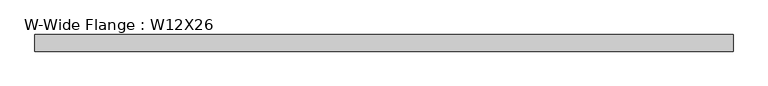
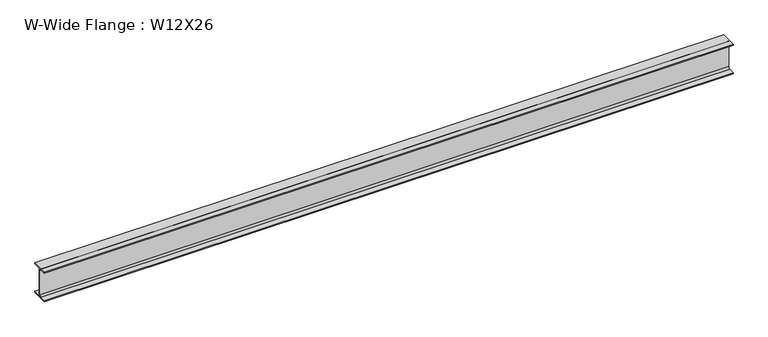
"""IFC4 building model written with IfcOpenShell, lengths in millimetres: beam geometry, W-Wide Flange : W12X26."""

from ifc_helpers import new_model, si_unit, point, frame, frame_2d, origin, place, context, project, spatial, polyline, circle_curve, trimmed, segment, composite_curve, outline, extrude, source, transform, mapped, element, save


def w_wide_flange_w12x26_c7bc9cb6(model_context):
    return source(origin(), model_context, "Body", "SweptSolid", [
        extrude(outline(composite_curve([segment(polyline([(82.4011719, -145.5539063), (82.4011719, -155.178125), (-82.4011719, -155.178125), (-82.4011719, -145.5539063), (-20.2902344, -145.5539063)]), True, "CONTINUOUS"), segment(trimmed(circle_curve(frame_2d((-20.2902344, -128.190625)), 17.3632812), [point((-20.2902344, -145.5539063))], [point((-2.9269531, -128.190625))], True, "CARTESIAN"), True, "CONTINUOUS"), segment(polyline([(-2.9269531, -128.190625), (-2.9269531, 128.190625)]), True, "CONTINUOUS"), segment(trimmed(circle_curve(frame_2d((-20.2902344, 128.190625)), 17.3632812), [point((-2.9269531, 128.190625))], [point((-20.2902344, 145.5539062))], True, "CARTESIAN"), True, "CONTINUOUS"), segment(polyline([(-20.2902344, 145.5539062), (-82.4011719, 145.5539062), (-82.4011719, 155.178125), (82.4011719, 155.178125), (82.4011719, 145.5539062), (20.2902344, 145.5539062)]), True, "CONTINUOUS"), segment(trimmed(circle_curve(frame_2d((20.2902344, 128.190625)), 17.3632812), [point((20.2902344, 145.5539062))], [point((2.9269531, 128.190625))], True, "CARTESIAN"), True, "CONTINUOUS"), segment(polyline([(2.9269531, 128.190625), (2.9269531, -128.190625)]), True, "CONTINUOUS"), segment(trimmed(circle_curve(frame_2d((20.2902344, -128.190625)), 17.3632812), [point((2.9269531, -128.190625))], [point((20.2902344, -145.5539063))], True, "CARTESIAN"), True, "CONTINUOUS"), segment(polyline([(20.2902344, -145.5539063), (82.4011719, -145.5539063)]), True, "CONTINUOUS")], self_intersect=False)), frame((-3457.575, 0.0, 0.0), z_axis=(1.0, 0.0, 0.0), x_axis=(0.0, 1.0, 0.0)), (0.0, 0.0, 1.0), 6915.15),
    ])


if __name__ == "__main__":
    model = new_model("IFC4")
    model_context = context("Model", 3, world=origin())
    ifc_project = project(units=[si_unit("LENGTHUNIT", "METRE", prefix="MILLI")], contexts=[model_context])
    site = spatial("IfcSite", under=ifc_project)
    building = spatial("IfcBuilding", under=site)
    placement = place(None, origin())
    w_wide_flange_w12x26_shape = w_wide_flange_w12x26_c7bc9cb6(model_context)
    element("IfcBeam", 1, ObjectType="W-Wide Flange : W12X26", at=placement, inside=building, context=model_context, shape_type="MappedRepresentation", body=[
        mapped(w_wide_flange_w12x26_shape, transform((0.0, 0.0, 0.0), x_axis=(1.0, 0.0, 0.0), y_axis=(0.0, 1.0, 0.0), z_axis=(0.0, 0.0, 1.0))),
    ])
    save(model, "model.ifc")
